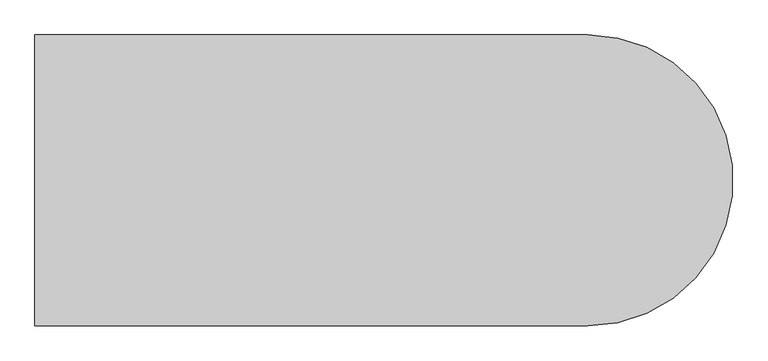
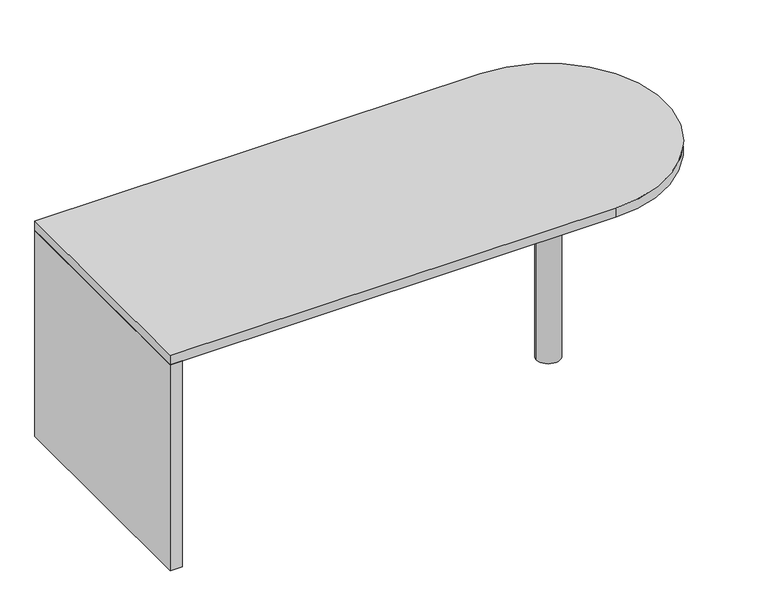
"""IFC4 building model written with IfcOpenShell, lengths in millimetres: furniture geometry."""

from ifc_helpers import new_model, si_unit, point, frame, frame_2d, origin, origin_with_axes, place, context, project, spatial, polyline, circle_curve, trimmed, segment, composite_curve, outline, extrude, source, transform, mapped, element, save


def furniture_c5f5bb6d(model_context):
    return source(origin(), model_context, "Body", "SweptSolid", [
        extrude(outline(composite_curve([segment(trimmed(circle_curve(frame_2d((1271.5875, -635.0)), 38.1), [point((1233.4875, -635.0))], [point((1309.6875, -635.0))], False, "CARTESIAN"), True, "CONTINUOUS"), segment(trimmed(circle_curve(frame_2d((1271.5875, -635.0)), 38.1), [point((1309.6875, -635.0))], [point((1233.4875, -635.0))], False, "CARTESIAN"), True, "CONTINUOUS")], self_intersect=False)), origin_with_axes(), (0.0, 0.0, 1.0), 708.025),
        extrude(outline(polyline([(-176.2125, -1016.0), (-176.2125, -254.0), (-137.31875, -254.0), (-137.31875, -1016.0), (-176.2125, -1016.0)])), origin_with_axes(), (0.0, 0.0, 1.0), 708.025),
        extrude(outline(composite_curve([segment(polyline([(-176.2125, -254.0), (1271.5875, -254.0)]), True, "CONTINUOUS"), segment(trimmed(circle_curve(frame_2d((1271.5875, -635.0)), 381.0), [point((1271.5875, -254.0))], [point((1271.5875, -1016.0))], False, "CARTESIAN"), True, "CONTINUOUS"), segment(polyline([(1271.5875, -1016.0), (-176.2125, -1016.0), (-176.2125, -254.0)]), True, "CONTINUOUS")], self_intersect=False)), frame((0.0, 0.0, 708.025), z_axis=(0.0, 0.0, 1.0), x_axis=(1.0, 0.0, 0.0)), (0.0, 0.0, 1.0), 31.75),
    ])


if __name__ == "__main__":
    model = new_model("IFC4")
    model_context = context("Model", 3, world=origin())
    ifc_project = project(units=[si_unit("LENGTHUNIT", "METRE", prefix="MILLI")], contexts=[model_context])
    site = spatial("IfcSite", under=ifc_project)
    building = spatial("IfcBuilding", under=site)
    placement = place(None, origin())
    furniture_shape = furniture_c5f5bb6d(model_context)
    element("IfcFurniture", 1, at=placement, inside=building, context=model_context, shape_type="MappedRepresentation", body=[
        mapped(furniture_shape, transform((0.0, 0.0, 0.0), x_axis=(1.0, 0.0, 0.0), y_axis=(0.0, 1.0, 0.0), z_axis=(0.0, 0.0, 1.0))),
    ])
    save(model, "model.ifc")
